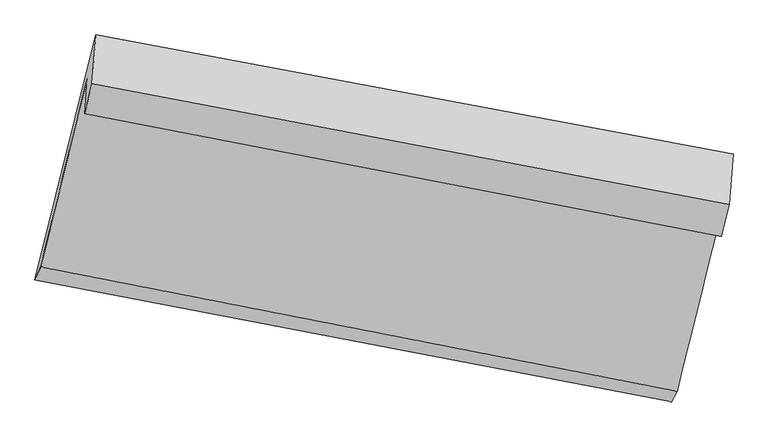
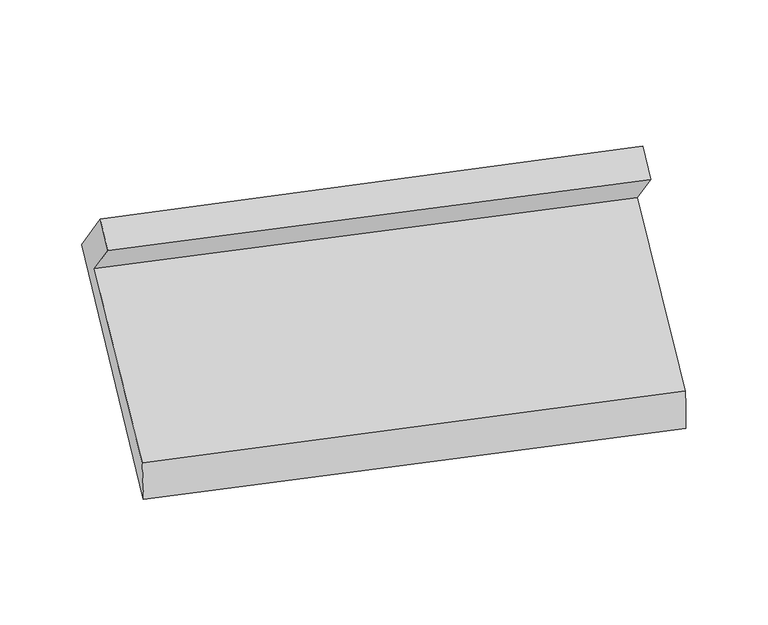
"""IFC4 building model written with IfcOpenShell, lengths in millimetres: proxy geometry."""

from ifc_helpers import new_model, si_unit, frame, origin, place, context, project, spatial, source, transform, mapped, element, save
from ifc_brep_helpers import plane_surface, spline_surface, advanced_brep


def generic_models_71f53587(model_context):
    return source(origin(), model_context, "Body", "AdvancedBrep", [
        advanced_brep(
        [(-4982.2780277, -879.2358113, 2652.0041713), (-4963.1244219, -636.6439063, 2325.1271603), (-555.8112016, -1489.6522949, 1976.3472745), (-574.8516855, -1730.8114423, 2301.2937368), (-5286.3857038, -1942.4550364, 1374.5834021), (-879.4428062, -2803.8421284, 1040.6778648), (-5325.9883573, -2031.6647237, 1094.0072922), (-917.8541825, -2877.9635766, 739.7713216), (-4903.9888099, -333.804853, 2350.6687383), (-492.0058803, -1159.2105323, 1995.3505886), (-4930.783501, -673.175685, 2807.9491376), (-519.7165844, -1510.1832201, 2468.2637435)],
        [
            (0, 1),
            (1, 2),
            (2, 3),
            (3, 0),
            (1, 4),
            (4, 5),
            (5, 2),
            (4, 6),
            (6, 7),
            (7, 5),
            (6, 8),
            (8, 9),
            (9, 7),
            (8, 10),
            (10, 11),
            (11, 9),
            (10, 0),
            (3, 11),
        ],
        [
            plane_surface(frame((-4972.7012248, -757.9398588, 2488.5656658), z_axis=(-0.19807532870054587, -0.7815151598744765, -0.5916081634380498), x_axis=(0.04700129517622085, 0.5952995920543958, -0.8021279660700203))),
            spline_surface(1, 1, [[(-4963.1244219, -636.6439063, 2325.1271603), (-555.8112016, -1489.6522949, 1976.3472745)], [(-5286.3857038, -1942.4550364, 1374.5834021), (-879.4428062, -2803.8421284, 1040.6778648)]], [2, 2], [2, 2], [0.0, 1.0], [0.0, 1.0]),
            spline_surface(1, 1, [[(-5286.3857038, -1942.4550364, 1374.5834021), (-879.4428062, -2803.8421284, 1040.6778648)], [(-5325.9883573, -2031.6647237, 1094.0072922), (-917.8541825, -2877.9635766, 739.7713216)]], [2, 2], [2, 2], [0.0, 1.0], [0.0, 1.0]),
            spline_surface(1, 1, [[(-5325.9883573, -2031.6647237, 1094.0072922), (-917.8541825, -2877.9635766, 739.7713216)], [(-4903.9888099, -333.804853, 2350.6687383), (-492.0058803, -1159.2105323, 1995.3505886)]], [2, 2], [2, 2], [0.0, 1.0], [0.0, 1.0]),
            plane_surface(frame((-4917.3861555, -503.490269, 2579.308938), z_axis=(0.19402290273116152, 0.7822808687535328, 0.5919389796237383), x_axis=(-0.04700129517622088, -0.595299592054397, 0.8021279660700195))),
            plane_surface(frame((-4956.5307644, -776.2057482, 2729.9766545), z_axis=(-0.051019956507428244, -0.5945373150972384, 0.802447721035425), x_axis=(-0.19542649369219442, -0.7820172458693694, -0.5918255762689384))),
            plane_surface(frame((-656.6137234, -1928.6105324, 1753.6174216), z_axis=(0.979591426981133, -0.1845736245045688, -0.079581488565583), x_axis=(-0.04700129517622088, -0.595299592054397, 0.8021279660700195))),
            plane_surface(frame((-5065.4248036, -1082.8300026, 2100.723317), z_axis=(-0.9795914269811334, 0.18457362450456694, 0.07958148856558256), x_axis=(0.19542649369219384, 0.7820172458693843, 0.5918255762689189))),
        ],
        [
            (0, [[1, 2, 3, 4]]),
            (1, [[5, 6, 7, -2]]),
            (2, [[8, 9, 10, -6]]),
            (3, [[11, 12, 13, -9]]),
            (4, [[14, 15, 16, -12]]),
            (5, [[17, -4, 18, -15]]),
            (6, [[-16, -18, -3, -7, -10, -13]]),
            (7, [[-17, -14, -11, -8, -5, -1]]),
        ],
    ),
    ])


if __name__ == "__main__":
    model = new_model("IFC4")
    model_context = context("Model", 3, world=origin())
    ifc_project = project(units=[si_unit("LENGTHUNIT", "METRE", prefix="MILLI")], contexts=[model_context])
    site = spatial("IfcSite", under=ifc_project)
    building = spatial("IfcBuilding", under=site)
    placement = place(None, origin())
    generic_models_shape = generic_models_71f53587(model_context)
    element("IfcBuildingElementProxy", 1, Name="Generic Models", at=placement, inside=building, context=model_context, shape_type="MappedRepresentation", body=[
        mapped(generic_models_shape, transform((0.0, 0.0, 0.0), x_axis=(1.0, 0.0, 0.0), y_axis=(0.0, 1.0, 0.0), z_axis=(0.0, 0.0, 1.0))),
    ])
    save(model, "model.ifc")
